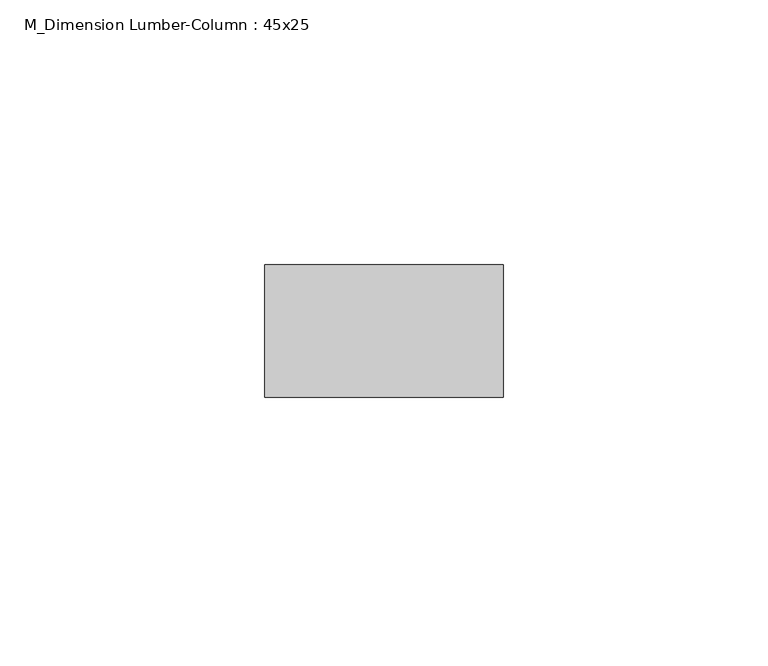
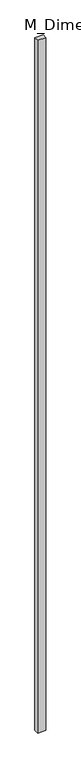
"""IFC4 building model written with IfcOpenShell, lengths in millimetres: column geometry, M_Dimension Lumber-Column : 45x25."""

from ifc_helpers import new_model, si_unit, origin, origin_with_axes, place, context, project, spatial, polyline, outline, extrude, source, transform, mapped, element, save


def m_dimension_lumber_column_45x25_667bec9b(model_context):
    return source(origin(), model_context, "Body", "SweptSolid", [
        extrude(outline(polyline([(22.5, 12.5), (22.5, -12.5), (-22.5, -12.5), (-22.5, 12.5), (22.5, 12.5)])), origin_with_axes(), (0.0, 0.0, 1.0), 4000.0),
    ])


if __name__ == "__main__":
    model = new_model("IFC4")
    model_context = context("Model", 3, world=origin())
    ifc_project = project(units=[si_unit("LENGTHUNIT", "METRE", prefix="MILLI")], contexts=[model_context])
    site = spatial("IfcSite", under=ifc_project)
    building = spatial("IfcBuilding", under=site)
    placement = place(None, origin())
    m_dimension_lumber_column_45x25_shape = m_dimension_lumber_column_45x25_667bec9b(model_context)
    element("IfcColumn", 1, ObjectType="M_Dimension Lumber-Column : 45x25", at=placement, inside=building, context=model_context, shape_type="MappedRepresentation", body=[
        mapped(m_dimension_lumber_column_45x25_shape, transform((0.0, 0.0, 0.0), x_axis=(1.0, 0.0, 0.0), y_axis=(0.0, 1.0, 0.0), z_axis=(0.0, 0.0, 1.0))),
    ])
    save(model, "model.ifc")
